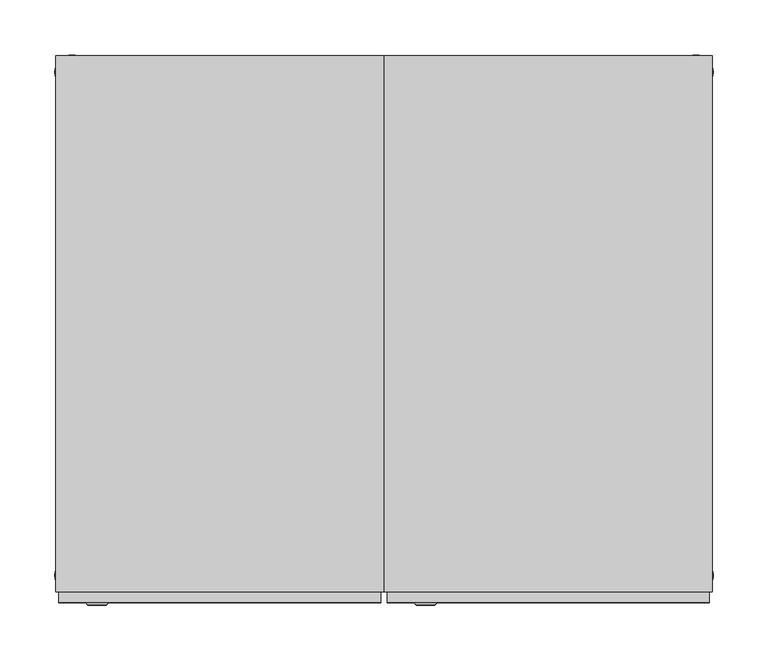
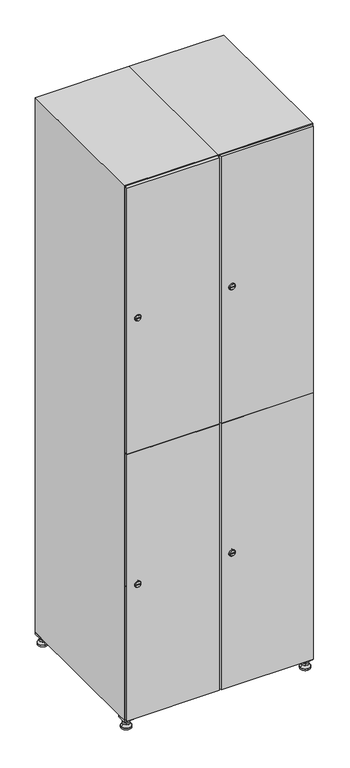
"""IFC4 building model written with IfcOpenShell, lengths in millimetres: furniture geometry."""

from ifc_helpers import new_model, si_unit, point, frame, frame_2d, origin, origin_with_axes, place, context, project, spatial, polyline, circle_curve, trimmed, segment, composite_curve, outline, extrude, faceted_brep, source, transform, mapped, element, save
from ifc_brep_helpers import plane_surface, revolved_surface, advanced_brep


def furniture_941f22c9(model_context):
    return source(origin(), model_context, "Body", "SolidModel", [
        extrude(outline(polyline([(400.0, 245.0), (400.0, 215.0), (370.0, 215.0), (370.0, 245.0), (400.0, 245.0)]), holes=[polyline([(398.0, 243.0), (372.0, 243.0), (372.0, 217.0), (398.0, 217.0), (398.0, 243.0)])]), frame((0.0, 0.0, 28.5), z_axis=(0.0, 0.0, 1.0), x_axis=(1.0, 0.0, 0.0)), (0.0, 0.0, 1.0), 6.5),
        extrude(outline(polyline([(370.0, -245.0), (370.0, -215.0), (400.0, -215.0), (400.0, -245.0), (370.0, -245.0)]), holes=[polyline([(372.0, -243.0), (398.0, -243.0), (398.0, -217.0), (372.0, -217.0), (372.0, -243.0)])]), frame((0.0, 0.0, 28.5), z_axis=(0.0, 0.0, 1.0), x_axis=(1.0, 0.0, 0.0)), (0.0, 0.0, 1.0), 6.5),
        extrude(outline(polyline([(-170.0, 245.0), (-170.0, 215.0), (-200.0, 215.0), (-200.0, 245.0), (-170.0, 245.0)]), holes=[polyline([(-172.0, 243.0), (-198.0, 243.0), (-198.0, 217.0), (-172.0, 217.0), (-172.0, 243.0)])]), frame((0.0, 0.0, 28.5), z_axis=(0.0, 0.0, 1.0), x_axis=(1.0, 0.0, 0.0)), (0.0, 0.0, 1.0), 6.5),
        extrude(outline(polyline([(-170.0, -215.0), (-170.0, -245.0), (-200.0, -245.0), (-200.0, -215.0), (-170.0, -215.0)]), holes=[polyline([(-198.0, -243.0), (-172.0, -243.0), (-172.0, -217.0), (-198.0, -217.0), (-198.0, -243.0)])]), frame((0.0, 0.0, 28.5), z_axis=(0.0, 0.0, 1.0), x_axis=(1.0, 0.0, 0.0)), (0.0, 0.0, 1.0), 6.5),
        extrude(outline(composite_curve([segment(trimmed(circle_curve(frame_2d((-185.0, 230.0)), 5.0), [point((-180.0, 230.0))], [point((-190.0, 230.0))], False, "CARTESIAN"), True, "CONTINUOUS"), segment(trimmed(circle_curve(frame_2d((-185.0, 230.0)), 5.0), [point((-190.0, 230.0))], [point((-180.0, 230.0))], False, "CARTESIAN"), True, "CONTINUOUS")], self_intersect=False)), frame((0.0, 0.0, 19.6), z_axis=(0.0, 0.0, 1.0), x_axis=(1.0, 0.0, 0.0)), (0.0, 0.0, 1.0), 15.4),
        extrude(outline(composite_curve([segment(trimmed(circle_curve(frame_2d((-185.0, -230.0)), 5.0), [point((-180.0, -230.0))], [point((-190.0, -230.0))], False, "CARTESIAN"), True, "CONTINUOUS"), segment(trimmed(circle_curve(frame_2d((-185.0, -230.0)), 5.0), [point((-190.0, -230.0))], [point((-180.0, -230.0))], False, "CARTESIAN"), True, "CONTINUOUS")], self_intersect=False)), frame((0.0, 0.0, 19.6), z_axis=(0.0, 0.0, 1.0), x_axis=(1.0, 0.0, 0.0)), (0.0, 0.0, 1.0), 15.4),
        extrude(outline(composite_curve([segment(trimmed(circle_curve(frame_2d((385.0, 230.0)), 5.0), [point((390.0, 230.0))], [point((380.0, 230.0))], False, "CARTESIAN"), True, "CONTINUOUS"), segment(trimmed(circle_curve(frame_2d((385.0, 230.0)), 5.0), [point((380.0, 230.0))], [point((390.0, 230.0))], False, "CARTESIAN"), True, "CONTINUOUS")], self_intersect=False)), frame((0.0, 0.0, 19.6), z_axis=(0.0, 0.0, 1.0), x_axis=(1.0, 0.0, 0.0)), (0.0, 0.0, 1.0), 15.4),
        extrude(outline(polyline([(373.4529946, 230.0), (379.2264973, 240.0), (390.7735027, 240.0), (396.5470054, 230.0), (390.7735027, 220.0), (379.2264973, 220.0), (373.4529946, 230.0)])), frame((0.0, 0.0, 13.6), z_axis=(0.0, 0.0, 1.0), x_axis=(1.0, 0.0, 0.0)), (0.0, 0.0, 1.0), 6.0),
        extrude(outline(composite_curve([segment(trimmed(circle_curve(frame_2d((385.0, -230.0)), 5.0), [point((390.0, -230.0))], [point((380.0, -230.0))], False, "CARTESIAN"), True, "CONTINUOUS"), segment(trimmed(circle_curve(frame_2d((385.0, -230.0)), 5.0), [point((380.0, -230.0))], [point((390.0, -230.0))], False, "CARTESIAN"), True, "CONTINUOUS")], self_intersect=False)), frame((0.0, 0.0, 19.6), z_axis=(0.0, 0.0, 1.0), x_axis=(1.0, 0.0, 0.0)), (0.0, 0.0, 1.0), 15.4),
        extrude(outline(polyline([(373.4529946, -230.0), (379.2264973, -220.0), (390.7735027, -220.0), (396.5470054, -230.0), (390.7735027, -240.0), (379.2264973, -240.0), (373.4529946, -230.0)])), frame((0.0, 0.0, 13.6), z_axis=(0.0, 0.0, 1.0), x_axis=(1.0, 0.0, 0.0)), (0.0, 0.0, 1.0), 6.0),
        extrude(outline(composite_curve([segment(trimmed(circle_curve(frame_2d((385.0, 230.0)), 5.0), [point((390.0, 230.0))], [point((380.0, 230.0))], False, "CARTESIAN"), True, "CONTINUOUS"), segment(trimmed(circle_curve(frame_2d((385.0, 230.0)), 5.0), [point((380.0, 230.0))], [point((390.0, 230.0))], False, "CARTESIAN"), True, "CONTINUOUS")], self_intersect=False)), frame((0.0, 0.0, 12.1), z_axis=(0.0, 0.0, 1.0), x_axis=(1.0, 0.0, 0.0)), (0.0, 0.0, 1.0), 1.5),
        extrude(outline(composite_curve([segment(trimmed(circle_curve(frame_2d((385.0, -230.0)), 5.0), [point((390.0, -230.0))], [point((380.0, -230.0))], False, "CARTESIAN"), True, "CONTINUOUS"), segment(trimmed(circle_curve(frame_2d((385.0, -230.0)), 5.0), [point((380.0, -230.0))], [point((390.0, -230.0))], False, "CARTESIAN"), True, "CONTINUOUS")], self_intersect=False)), frame((0.0, 0.0, 12.1), z_axis=(0.0, 0.0, 1.0), x_axis=(1.0, 0.0, 0.0)), (0.0, 0.0, 1.0), 1.5),
        extrude(outline(polyline([(-196.5470054, 230.0), (-190.7735027, 240.0), (-179.2264973, 240.0), (-173.4529946, 230.0), (-179.2264973, 220.0), (-190.7735027, 220.0), (-196.5470054, 230.0)])), frame((0.0, 0.0, 13.6), z_axis=(0.0, 0.0, 1.0), x_axis=(1.0, 0.0, 0.0)), (0.0, 0.0, 1.0), 6.0),
        extrude(outline(polyline([(-196.5470054, -230.0), (-190.7735027, -220.0), (-179.2264973, -220.0), (-173.4529946, -230.0), (-179.2264973, -240.0), (-190.7735027, -240.0), (-196.5470054, -230.0)])), frame((0.0, 0.0, 13.6), z_axis=(0.0, 0.0, 1.0), x_axis=(1.0, 0.0, 0.0)), (0.0, 0.0, 1.0), 6.0),
        extrude(outline(composite_curve([segment(trimmed(circle_curve(frame_2d((-185.0, 230.0)), 5.0), [point((-185.0, 235.0))], [point((-185.0, 225.0))], False, "CARTESIAN"), True, "CONTINUOUS"), segment(trimmed(circle_curve(frame_2d((-185.0, 230.0)), 5.0), [point((-185.0, 225.0))], [point((-185.0, 235.0))], False, "CARTESIAN"), True, "CONTINUOUS")], self_intersect=False)), frame((0.0, 0.0, 12.1), z_axis=(0.0, 0.0, 1.0), x_axis=(1.0, 0.0, 0.0)), (0.0, 0.0, 1.0), 1.5),
        extrude(outline(composite_curve([segment(trimmed(circle_curve(frame_2d((-185.0, -230.0)), 5.0), [point((-180.0, -230.0))], [point((-190.0, -230.0))], False, "CARTESIAN"), True, "CONTINUOUS"), segment(trimmed(circle_curve(frame_2d((-185.0, -230.0)), 5.0), [point((-190.0, -230.0))], [point((-180.0, -230.0))], False, "CARTESIAN"), True, "CONTINUOUS")], self_intersect=False)), frame((0.0, 0.0, 12.1), z_axis=(0.0, 0.0, 1.0), x_axis=(1.0, 0.0, 0.0)), (0.0, 0.0, 1.0), 1.5),
        extrude(outline(composite_curve([segment(trimmed(circle_curve(frame_2d((385.0, 230.0)), 15.75), [point((400.75, 230.0))], [point((369.25, 230.0))], False, "CARTESIAN"), True, "CONTINUOUS"), segment(trimmed(circle_curve(frame_2d((385.0, 230.0)), 15.75), [point((369.25, 230.0))], [point((400.75, 230.0))], False, "CARTESIAN"), True, "CONTINUOUS")], self_intersect=False)), origin_with_axes(), (0.0, 0.0, 1.0), 5.1),
        extrude(outline(composite_curve([segment(trimmed(circle_curve(frame_2d((385.0, -230.0)), 15.75), [point((385.0, -214.25))], [point((385.0, -245.75))], False, "CARTESIAN"), True, "CONTINUOUS"), segment(trimmed(circle_curve(frame_2d((385.0, -230.0)), 15.75), [point((385.0, -245.75))], [point((385.0, -214.25))], False, "CARTESIAN"), True, "CONTINUOUS")], self_intersect=False)), origin_with_axes(), (0.0, 0.0, 1.0), 5.1),
        extrude(outline(composite_curve([segment(trimmed(circle_curve(frame_2d((-185.0, -230.0)), 15.75), [point((-169.25, -230.0))], [point((-200.75, -230.0))], False, "CARTESIAN"), True, "CONTINUOUS"), segment(trimmed(circle_curve(frame_2d((-185.0, -230.0)), 15.75), [point((-200.75, -230.0))], [point((-169.25, -230.0))], False, "CARTESIAN"), True, "CONTINUOUS")], self_intersect=False)), origin_with_axes(), (0.0, 0.0, 1.0), 5.1),
        extrude(outline(composite_curve([segment(trimmed(circle_curve(frame_2d((-185.0, 230.0)), 15.75), [point((-169.25, 230.0))], [point((-200.75, 230.0))], False, "CARTESIAN"), True, "CONTINUOUS"), segment(trimmed(circle_curve(frame_2d((-185.0, 230.0)), 15.75), [point((-200.75, 230.0))], [point((-169.25, 230.0))], False, "CARTESIAN"), True, "CONTINUOUS")], self_intersect=False)), origin_with_axes(), (0.0, 0.0, 1.0), 5.1),
        advanced_brep(
        [(-185.0, 239.5, 12.1), (-185.0, 220.5, 12.1), (-185.0, 214.25, 5.1), (-185.0, 245.75, 5.1)],
        [
            (0, 1, circle_curve(frame((-185.0, 230.0, 12.1), z_axis=(0.0, 0.0, -1.0), x_axis=(0.0, 1.0, 0.0)), 9.5)),
            (1, 2),
            (2, 3, circle_curve(frame((-185.0, 230.0, 5.1), z_axis=(0.0, 0.0, 1.0), x_axis=(0.0, 1.0, 0.0)), 15.75)),
            (3, 0),
            (1, 0, circle_curve(frame((-185.0, 230.0, 12.1), z_axis=(0.0, 0.0, -1.0), x_axis=(0.0, -1.0, 0.0)), 9.5)),
            (3, 2, circle_curve(frame((-185.0, 230.0, 5.1), z_axis=(0.0, 0.0, 1.0), x_axis=(0.0, -1.0, 0.0)), 15.75)),
        ],
        [
            revolved_surface(polyline([(-185.0, 220.5, 12.099999999999998), (-185.0, 214.25, 5.099999999999998)]), (-185.0, 230.0, 22.74), (0.0, 0.0, -1.0)),
            revolved_surface(polyline([(-185.0, 239.5, 12.099999999999998), (-185.0, 245.75, 5.099999999999998)]), (-185.0, 230.0, 22.74), (0.0, 0.0, -1.0)),
            plane_surface(frame((-185.0, 230.0, 5.1), z_axis=(0.0, 0.0, -1.0), x_axis=(1.0, 0.0, 0.0))),
            plane_surface(frame((-185.0, 230.0, 12.1), z_axis=(0.0, 0.0, 1.0), x_axis=(1.0, 0.0, 0.0))),
        ],
        [
            (0, [[1, 2, 3, 4]]),
            (1, [[5, -4, 6, -2]]),
            (2, [[-3, -6]]),
            (3, [[-5, -1]]),
        ],
    ),
        advanced_brep(
        [(385.0, 239.5, 12.1), (385.0, 220.5, 12.1), (385.0, 214.25, 5.1), (385.0, 245.75, 5.1)],
        [
            (0, 1, circle_curve(frame((385.0, 230.0, 12.1), z_axis=(0.0, 0.0, -1.0), x_axis=(0.0, 1.0, 0.0)), 9.5)),
            (1, 2),
            (2, 3, circle_curve(frame((385.0, 230.0, 5.1), z_axis=(0.0, 0.0, 1.0), x_axis=(0.0, 1.0, 0.0)), 15.75)),
            (3, 0),
            (1, 0, circle_curve(frame((385.0, 230.0, 12.1), z_axis=(0.0, 0.0, -1.0), x_axis=(0.0, -1.0, 0.0)), 9.5)),
            (3, 2, circle_curve(frame((385.0, 230.0, 5.1), z_axis=(0.0, 0.0, 1.0), x_axis=(0.0, -1.0, 0.0)), 15.75)),
        ],
        [
            revolved_surface(polyline([(385.0, 220.5, 12.099999999999998), (385.0, 214.25, 5.099999999999998)]), (385.0, 230.0, 22.74), (0.0, 0.0, -1.0)),
            revolved_surface(polyline([(385.0, 239.5, 12.099999999999998), (385.0, 245.75, 5.099999999999998)]), (385.0, 230.0, 22.74), (0.0, 0.0, -1.0)),
            plane_surface(frame((385.0, 230.0, 5.1), z_axis=(0.0, 0.0, -1.0), x_axis=(1.0, 0.0, 0.0))),
            plane_surface(frame((385.0, 230.0, 12.1), z_axis=(0.0, 0.0, 1.0), x_axis=(1.0, 0.0, 0.0))),
        ],
        [
            (0, [[1, 2, 3, 4]]),
            (1, [[5, -4, 6, -2]]),
            (2, [[-3, -6]]),
            (3, [[-5, -1]]),
        ],
    ),
        advanced_brep(
        [(400.75, -230.0, 5.1), (369.25, -230.0, 5.1), (375.5, -230.0, 12.1), (394.5, -230.0, 12.1)],
        [
            (0, 1, circle_curve(frame((385.0, -230.0, 5.1), z_axis=(0.0, 0.0, 1.0), x_axis=(1.0, 0.0, 0.0)), 15.75)),
            (1, 2),
            (2, 3, circle_curve(frame((385.0, -230.0, 12.1), z_axis=(0.0, 0.0, -1.0), x_axis=(1.0, 0.0, 0.0)), 9.5)),
            (3, 0),
            (1, 0, circle_curve(frame((385.0, -230.0, 5.1), z_axis=(0.0, 0.0, 1.0), x_axis=(-1.0, 0.0, 0.0)), 15.75)),
            (3, 2, circle_curve(frame((385.0, -230.0, 12.1), z_axis=(0.0, 0.0, -1.0), x_axis=(-1.0, 0.0, 0.0)), 9.5)),
        ],
        [
            revolved_surface(polyline([(394.5, -230.0, 12.099999999999998), (400.75, -230.0, 5.099999999999998)]), (385.0, -230.0, 22.74), (0.0, 0.0, -1.0)),
            revolved_surface(polyline([(375.5, -230.0, 12.099999999999998), (369.25, -230.0, 5.099999999999998)]), (385.0, -230.0, 22.74), (0.0, 0.0, -1.0)),
            plane_surface(frame((385.0, -230.0, 12.1), z_axis=(0.0, 0.0, 1.0), x_axis=(0.0, 1.0, 0.0))),
            plane_surface(frame((385.0, -230.0, 5.1), z_axis=(0.0, 0.0, -1.0), x_axis=(0.0, 1.0, 0.0))),
        ],
        [
            (0, [[1, 2, 3, 4]]),
            (1, [[5, -4, 6, -2]]),
            (2, [[-3, -6]]),
            (3, [[-5, -1]]),
        ],
    ),
        advanced_brep(
        [(-169.25, -230.0, 5.1), (-200.75, -230.0, 5.1), (-194.5, -230.0, 12.1), (-175.5, -230.0, 12.1)],
        [
            (0, 1, circle_curve(frame((-185.0, -230.0, 5.1), z_axis=(0.0, 0.0, 1.0), x_axis=(1.0, 0.0, 0.0)), 15.75)),
            (1, 2),
            (2, 3, circle_curve(frame((-185.0, -230.0, 12.1), z_axis=(0.0, 0.0, -1.0), x_axis=(1.0, 0.0, 0.0)), 9.5)),
            (3, 0),
            (1, 0, circle_curve(frame((-185.0, -230.0, 5.1), z_axis=(0.0, 0.0, 1.0), x_axis=(-1.0, 0.0, 0.0)), 15.75)),
            (3, 2, circle_curve(frame((-185.0, -230.0, 12.1), z_axis=(0.0, 0.0, -1.0), x_axis=(-1.0, 0.0, 0.0)), 9.5)),
        ],
        [
            revolved_surface(polyline([(-175.5, -230.0, 12.099999999999998), (-169.25, -230.0, 5.099999999999998)]), (-185.0, -230.0, 22.74), (0.0, 0.0, -1.0)),
            revolved_surface(polyline([(-194.5, -230.0, 12.099999999999998), (-200.75, -230.0, 5.099999999999998)]), (-185.0, -230.0, 22.74), (0.0, 0.0, -1.0)),
            plane_surface(frame((-185.0, -230.0, 12.1), z_axis=(0.0, 0.0, 1.0), x_axis=(0.0, 1.0, 0.0))),
            plane_surface(frame((-185.0, -230.0, 5.1), z_axis=(0.0, 0.0, -1.0), x_axis=(0.0, 1.0, 0.0))),
        ],
        [
            (0, [[1, 2, 3, 4]]),
            (1, [[5, -4, 6, -2]]),
            (2, [[-3, -6]]),
            (3, [[-5, -1]]),
        ],
    ),
        extrude(outline(composite_curve([segment(trimmed(circle_curve(frame_2d((486.5, 111.2010534)), 7.0), [point((493.5, 111.2010534))], [point((479.5, 111.2010534))], False, "CARTESIAN"), True, "CONTINUOUS"), segment(polyline([(479.5, 111.2010534), (479.5, 139.2010534)]), True, "CONTINUOUS"), segment(trimmed(circle_curve(frame_2d((486.5, 139.2010534)), 7.0), [point((479.5, 139.2010534))], [point((493.5, 139.2010534))], False, "CARTESIAN"), True, "CONTINUOUS"), segment(polyline([(493.5, 139.2010534), (493.5, 111.2010534)]), True, "CONTINUOUS")], self_intersect=False)), frame((0.0, -245.0, 0.0), z_axis=(0.0, 1.0, 0.0), x_axis=(0.0, 0.0, 1.0)), (0.0, 0.0, 1.0), 2.0),
        advanced_brep(
        [(146.5, -257.2, 486.5), (129.5, -257.2, 486.5), (133.0, -257.2, 485.25), (133.0, -257.2, 487.75), (143.0, -257.2, 487.75), (143.0, -257.2, 485.25), (148.5, -255.0, 486.5), (127.5, -255.0, 486.5), (133.0, -255.0, 487.75), (133.0, -255.0, 485.25), (143.0, -255.0, 485.25), (143.0, -255.0, 487.75)],
        [
            (0, 1, circle_curve(frame((138.0, -257.2, 486.5), z_axis=(0.0, -1.0, 0.0), x_axis=(1.0, 0.0, 0.0)), 8.5)),
            (1, 0, circle_curve(frame((138.0, -257.2, 486.5), z_axis=(0.0, -1.0, 0.0), x_axis=(-1.0, 0.0, 0.0)), 8.5)),
            (2, 3),
            (3, 4),
            (4, 5),
            (5, 2),
            (6, 7, circle_curve(frame((138.0, -255.0, 486.5), z_axis=(0.0, 1.0, 0.0), x_axis=(-1.0, 0.0, 0.0)), 10.5)),
            (7, 6, circle_curve(frame((138.0, -255.0, 486.5), z_axis=(0.0, 1.0, 0.0), x_axis=(1.0, 0.0, 0.0)), 10.5)),
            (8, 9),
            (9, 10),
            (10, 11),
            (11, 8),
            (0, 6),
            (7, 1),
            (8, 3),
            (2, 9),
            (11, 4),
            (10, 5),
        ],
        [
            plane_surface(frame((138.0, -257.2, 486.5), z_axis=(0.0, -1.0, 0.0), x_axis=(0.0, 0.0, 1.0))),
            plane_surface(frame((138.0, -255.0, 486.5), z_axis=(0.0, 1.0, 0.0), x_axis=(0.0, 0.0, 1.0))),
            revolved_surface(polyline([(146.5, -257.2, 486.5), (148.5, -255.0, 486.5)]), (138.0, -266.55, 486.5), (0.0, 1.0, 0.0)),
            revolved_surface(polyline([(129.5, -257.2, 486.5), (127.5, -255.0, 486.5)]), (138.0, -266.55, 486.5), (0.0, 1.0, 0.0)),
            plane_surface(frame((133.0, -255.0, 485.25), z_axis=(1.0, 0.0, 0.0), x_axis=(0.0, -1.0, 0.0))),
            plane_surface(frame((133.0, -255.0, 487.75), z_axis=(0.0, 0.0, -1.0), x_axis=(0.0, -1.0, 0.0))),
            plane_surface(frame((143.0, -255.0, 487.75), z_axis=(-1.0, 0.0, 0.0), x_axis=(0.0, -1.0, 0.0))),
            plane_surface(frame((143.0, -255.0, 485.25), z_axis=(0.0, 0.0, 1.0), x_axis=(0.0, -1.0, 0.0))),
        ],
        [
            (0, [[1, 2], [3, 4, 5, 6]]),
            (1, [[7, 8], [9, 10, 11, 12]]),
            (2, [[-1, 13, -8, 14]]),
            (3, [[-2, -14, -7, -13]]),
            (4, [[15, -3, 16, -9]]),
            (5, [[-15, -12, 17, -4]]),
            (6, [[-17, -11, 18, -5]]),
            (7, [[-16, -6, -18, -10]]),
        ],
    ),
        extrude(outline(composite_curve([segment(trimmed(circle_curve(frame_2d((1383.5, 111.2010534)), 7.0), [point((1390.5, 111.2010534))], [point((1376.5, 111.2010534))], False, "CARTESIAN"), True, "CONTINUOUS"), segment(polyline([(1376.5, 111.2010534), (1376.5, 139.2010534)]), True, "CONTINUOUS"), segment(trimmed(circle_curve(frame_2d((1383.5, 139.2010534)), 7.0), [point((1376.5, 139.2010534))], [point((1390.5, 139.2010534))], False, "CARTESIAN"), True, "CONTINUOUS"), segment(polyline([(1390.5, 139.2010534), (1390.5, 111.2010534)]), True, "CONTINUOUS")], self_intersect=False)), frame((0.0, -245.0, 0.0), z_axis=(0.0, 1.0, 0.0), x_axis=(0.0, 0.0, 1.0)), (0.0, 0.0, 1.0), 2.0),
        advanced_brep(
        [(146.5, -257.2, 1383.5), (129.5, -257.2, 1383.5), (133.0, -257.2, 1382.25), (133.0, -257.2, 1384.75), (143.0, -257.2, 1384.75), (143.0, -257.2, 1382.25), (148.5, -255.0, 1383.5), (127.5, -255.0, 1383.5), (133.0, -255.0, 1384.75), (133.0, -255.0, 1382.25), (143.0, -255.0, 1382.25), (143.0, -255.0, 1384.75)],
        [
            (0, 1, circle_curve(frame((138.0, -257.2, 1383.5), z_axis=(0.0, -1.0, 0.0), x_axis=(1.0, 0.0, 0.0)), 8.5)),
            (1, 0, circle_curve(frame((138.0, -257.2, 1383.5), z_axis=(0.0, -1.0, 0.0), x_axis=(-1.0, 0.0, 0.0)), 8.5)),
            (2, 3),
            (3, 4),
            (4, 5),
            (5, 2),
            (6, 7, circle_curve(frame((138.0, -255.0, 1383.5), z_axis=(0.0, 1.0, 0.0), x_axis=(-1.0, 0.0, 0.0)), 10.5)),
            (7, 6, circle_curve(frame((138.0, -255.0, 1383.5), z_axis=(0.0, 1.0, 0.0), x_axis=(1.0, 0.0, 0.0)), 10.5)),
            (8, 9),
            (9, 10),
            (10, 11),
            (11, 8),
            (0, 6),
            (7, 1),
            (8, 3),
            (2, 9),
            (11, 4),
            (10, 5),
        ],
        [
            plane_surface(frame((138.0, -257.2, 1383.5), z_axis=(0.0, -1.0, 0.0), x_axis=(0.0, 0.0, 1.0))),
            plane_surface(frame((138.0, -255.0, 1383.5), z_axis=(0.0, 1.0, 0.0), x_axis=(0.0, 0.0, 1.0))),
            revolved_surface(polyline([(146.5, -257.2, 1383.5), (148.5, -255.0, 1383.5)]), (138.0, -266.55, 1383.5), (0.0, 1.0, 0.0)),
            revolved_surface(polyline([(129.5, -257.2, 1383.5), (127.5, -255.0, 1383.5)]), (138.0, -266.55, 1383.5), (0.0, 1.0, 0.0)),
            plane_surface(frame((133.0, -255.0, 1382.25), z_axis=(1.0, 0.0, 0.0), x_axis=(0.0, -1.0, 0.0))),
            plane_surface(frame((133.0, -255.0, 1384.75), z_axis=(0.0, 0.0, -1.0), x_axis=(0.0, -1.0, 0.0))),
            plane_surface(frame((143.0, -255.0, 1384.75), z_axis=(-1.0, 0.0, 0.0), x_axis=(0.0, -1.0, 0.0))),
            plane_surface(frame((143.0, -255.0, 1382.25), z_axis=(0.0, 0.0, 1.0), x_axis=(0.0, -1.0, 0.0))),
        ],
        [
            (0, [[1, 2], [3, 4, 5, 6]]),
            (1, [[7, 8], [9, 10, 11, 12]]),
            (2, [[-1, 13, -8, 14]]),
            (3, [[-2, -14, -7, -13]]),
            (4, [[15, -3, 16, -9]]),
            (5, [[-15, -12, 17, -4]]),
            (6, [[-17, -11, 18, -5]]),
            (7, [[-16, -6, -18, -10]]),
        ],
    ),
        extrude(outline(polyline([(103.0, -255.0), (103.0, -245.0), (397.0, -245.0), (397.0, -255.0), (103.0, -255.0)])), frame((0.0, 0.0, 38.0), z_axis=(0.0, 0.0, 1.0), x_axis=(1.0, 0.0, 0.0)), (0.0, 0.0, 1.0), 896.5),
        extrude(outline(polyline([(397.0, -245.0), (397.0, -255.0), (103.0, -255.0), (103.0, -245.0), (397.0, -245.0)])), frame((0.0, 0.0, 935.5), z_axis=(0.0, 0.0, 1.0), x_axis=(1.0, 0.0, 0.0)), (0.0, 0.0, 1.0), 896.5),
        extrude(outline(polyline([(379.6, 242.0), (379.6, -235.0), (120.4, -235.0), (120.4, 242.0), (379.6, 242.0)])), frame((0.0, 0.0, 924.8), z_axis=(0.0, 0.0, 1.0), x_axis=(1.0, 0.0, 0.0)), (0.0, 0.0, 1.0), 20.4),
        faceted_brep([(400.0, -245.0, 35.0), (400.0, -245.0, 1835.0), (100.0, -245.0, 1835.0), (100.0, -245.0, 35.0), (379.6, -245.0, 1804.8), (379.6, -245.0, 65.2), (120.4, -245.0, 65.2), (120.4, -245.0, 1804.8), (400.0, 245.0, 35.0), (100.0, 245.0, 35.0), (400.0, 245.0, 1835.0), (100.0, 245.0, 1835.0), (379.6, 242.0, 1804.8), (379.6, 242.0, 65.2), (100.0, 245.0, 1804.8), (120.4, 242.0, 1804.8), (120.4, 242.0, 65.2)], [[[0, 1, 2, 3], [4, 5, 6, 7]], [[8, 0, 3, 9]], [[1, 0, 8, 10]], [[1, 10, 11, 2]], [[4, 12, 13, 5]], [[9, 3, 2, 11, 14]], [[10, 8, 9, 14, 11]], [[12, 15, 16, 13]], [[15, 7, 6, 16]], [[4, 7, 15, 12]], [[6, 5, 13, 16]]]),
        extrude(outline(composite_curve([segment(trimmed(circle_curve(frame_2d((486.5, -188.7989466)), 7.0), [point((493.5, -188.7989466))], [point((479.5, -188.7989466))], False, "CARTESIAN"), True, "CONTINUOUS"), segment(polyline([(479.5, -188.7989466), (479.5, -160.7989466)]), True, "CONTINUOUS"), segment(trimmed(circle_curve(frame_2d((486.5, -160.7989466)), 7.0), [point((479.5, -160.7989466))], [point((493.5, -160.7989466))], False, "CARTESIAN"), True, "CONTINUOUS"), segment(polyline([(493.5, -160.7989466), (493.5, -188.7989466)]), True, "CONTINUOUS")], self_intersect=False)), frame((0.0, -245.0, 0.0), z_axis=(0.0, 1.0, 0.0), x_axis=(0.0, 0.0, 1.0)), (0.0, 0.0, 1.0), 2.0),
        advanced_brep(
        [(-153.5, -257.2, 486.5), (-170.5, -257.2, 486.5), (-167.0, -257.2, 485.25), (-167.0, -257.2, 487.75), (-157.0, -257.2, 487.75), (-157.0, -257.2, 485.25), (-151.5, -255.0, 486.5), (-172.5, -255.0, 486.5), (-167.0, -255.0, 487.75), (-167.0, -255.0, 485.25), (-157.0, -255.0, 485.25), (-157.0, -255.0, 487.75)],
        [
            (0, 1, circle_curve(frame((-162.0, -257.2, 486.5), z_axis=(0.0, -1.0, 0.0), x_axis=(1.0, 0.0, 0.0)), 8.5)),
            (1, 0, circle_curve(frame((-162.0, -257.2, 486.5), z_axis=(0.0, -1.0, 0.0), x_axis=(-1.0, 0.0, 0.0)), 8.5)),
            (2, 3),
            (3, 4),
            (4, 5),
            (5, 2),
            (6, 7, circle_curve(frame((-162.0, -255.0, 486.5), z_axis=(0.0, 1.0, 0.0), x_axis=(-1.0, 0.0, 0.0)), 10.5)),
            (7, 6, circle_curve(frame((-162.0, -255.0, 486.5), z_axis=(0.0, 1.0, 0.0), x_axis=(1.0, 0.0, 0.0)), 10.5)),
            (8, 9),
            (9, 10),
            (10, 11),
            (11, 8),
            (0, 6),
            (7, 1),
            (8, 3),
            (2, 9),
            (11, 4),
            (10, 5),
        ],
        [
            plane_surface(frame((-162.0, -257.2, 486.5), z_axis=(0.0, -1.0, 0.0), x_axis=(0.0, 0.0, 1.0))),
            plane_surface(frame((-162.0, -255.0, 486.5), z_axis=(0.0, 1.0, 0.0), x_axis=(0.0, 0.0, 1.0))),
            revolved_surface(polyline([(-153.5, -257.2, 486.5), (-151.5, -255.0, 486.5)]), (-162.0, -266.55, 486.5), (0.0, 1.0, 0.0)),
            revolved_surface(polyline([(-170.5, -257.2, 486.5), (-172.5, -255.0, 486.5)]), (-162.0, -266.55, 486.5), (0.0, 1.0, 0.0)),
            plane_surface(frame((-167.0, -255.0, 485.25), z_axis=(1.0, 0.0, 0.0), x_axis=(0.0, -1.0, 0.0))),
            plane_surface(frame((-167.0, -255.0, 487.75), z_axis=(0.0, 0.0, -1.0), x_axis=(0.0, -1.0, 0.0))),
            plane_surface(frame((-157.0, -255.0, 487.75), z_axis=(-1.0, 0.0, 0.0), x_axis=(0.0, -1.0, 0.0))),
            plane_surface(frame((-157.0, -255.0, 485.25), z_axis=(0.0, 0.0, 1.0), x_axis=(0.0, -1.0, 0.0))),
        ],
        [
            (0, [[1, 2], [3, 4, 5, 6]]),
            (1, [[7, 8], [9, 10, 11, 12]]),
            (2, [[-1, 13, -8, 14]]),
            (3, [[-2, -14, -7, -13]]),
            (4, [[15, -3, 16, -9]]),
            (5, [[-15, -12, 17, -4]]),
            (6, [[-17, -11, 18, -5]]),
            (7, [[-16, -6, -18, -10]]),
        ],
    ),
        extrude(outline(composite_curve([segment(trimmed(circle_curve(frame_2d((1383.5, -188.7989466)), 7.0), [point((1390.5, -188.7989466))], [point((1376.5, -188.7989466))], False, "CARTESIAN"), True, "CONTINUOUS"), segment(polyline([(1376.5, -188.7989466), (1376.5, -160.7989466)]), True, "CONTINUOUS"), segment(trimmed(circle_curve(frame_2d((1383.5, -160.7989466)), 7.0), [point((1376.5, -160.7989466))], [point((1390.5, -160.7989466))], False, "CARTESIAN"), True, "CONTINUOUS"), segment(polyline([(1390.5, -160.7989466), (1390.5, -188.7989466)]), True, "CONTINUOUS")], self_intersect=False)), frame((0.0, -245.0, 0.0), z_axis=(0.0, 1.0, 0.0), x_axis=(0.0, 0.0, 1.0)), (0.0, 0.0, 1.0), 2.0),
        advanced_brep(
        [(-153.5, -257.2, 1383.5), (-170.5, -257.2, 1383.5), (-167.0, -257.2, 1382.25), (-167.0, -257.2, 1384.75), (-157.0, -257.2, 1384.75), (-157.0, -257.2, 1382.25), (-151.5, -255.0, 1383.5), (-172.5, -255.0, 1383.5), (-167.0, -255.0, 1384.75), (-167.0, -255.0, 1382.25), (-157.0, -255.0, 1382.25), (-157.0, -255.0, 1384.75)],
        [
            (0, 1, circle_curve(frame((-162.0, -257.2, 1383.5), z_axis=(0.0, -1.0, 0.0), x_axis=(1.0, 0.0, 0.0)), 8.5)),
            (1, 0, circle_curve(frame((-162.0, -257.2, 1383.5), z_axis=(0.0, -1.0, 0.0), x_axis=(-1.0, 0.0, 0.0)), 8.5)),
            (2, 3),
            (3, 4),
            (4, 5),
            (5, 2),
            (6, 7, circle_curve(frame((-162.0, -255.0, 1383.5), z_axis=(0.0, 1.0, 0.0), x_axis=(-1.0, 0.0, 0.0)), 10.5)),
            (7, 6, circle_curve(frame((-162.0, -255.0, 1383.5), z_axis=(0.0, 1.0, 0.0), x_axis=(1.0, 0.0, 0.0)), 10.5)),
            (8, 9),
            (9, 10),
            (10, 11),
            (11, 8),
            (0, 6),
            (7, 1),
            (8, 3),
            (2, 9),
            (11, 4),
            (10, 5),
        ],
        [
            plane_surface(frame((-162.0, -257.2, 1383.5), z_axis=(0.0, -1.0, 0.0), x_axis=(0.0, 0.0, 1.0))),
            plane_surface(frame((-162.0, -255.0, 1383.5), z_axis=(0.0, 1.0, 0.0), x_axis=(0.0, 0.0, 1.0))),
            revolved_surface(polyline([(-153.5, -257.2, 1383.5), (-151.5, -255.0, 1383.5)]), (-162.0, -266.55, 1383.5), (0.0, 1.0, 0.0)),
            revolved_surface(polyline([(-170.5, -257.2, 1383.5), (-172.5, -255.0, 1383.5)]), (-162.0, -266.55, 1383.5), (0.0, 1.0, 0.0)),
            plane_surface(frame((-167.0, -255.0, 1382.25), z_axis=(1.0, 0.0, 0.0), x_axis=(0.0, -1.0, 0.0))),
            plane_surface(frame((-167.0, -255.0, 1384.75), z_axis=(0.0, 0.0, -1.0), x_axis=(0.0, -1.0, 0.0))),
            plane_surface(frame((-157.0, -255.0, 1384.75), z_axis=(-1.0, 0.0, 0.0), x_axis=(0.0, -1.0, 0.0))),
            plane_surface(frame((-157.0, -255.0, 1382.25), z_axis=(0.0, 0.0, 1.0), x_axis=(0.0, -1.0, 0.0))),
        ],
        [
            (0, [[1, 2], [3, 4, 5, 6]]),
            (1, [[7, 8], [9, 10, 11, 12]]),
            (2, [[-1, 13, -8, 14]]),
            (3, [[-2, -14, -7, -13]]),
            (4, [[15, -3, 16, -9]]),
            (5, [[-15, -12, 17, -4]]),
            (6, [[-17, -11, 18, -5]]),
            (7, [[-16, -6, -18, -10]]),
        ],
    ),
        extrude(outline(polyline([(-197.0, -255.0), (-197.0, -245.0), (97.0, -245.0), (97.0, -255.0), (-197.0, -255.0)])), frame((0.0, 0.0, 38.0), z_axis=(0.0, 0.0, 1.0), x_axis=(1.0, 0.0, 0.0)), (0.0, 0.0, 1.0), 896.5),
        extrude(outline(polyline([(97.0, -245.0), (97.0, -255.0), (-197.0, -255.0), (-197.0, -245.0), (97.0, -245.0)])), frame((0.0, 0.0, 935.5), z_axis=(0.0, 0.0, 1.0), x_axis=(1.0, 0.0, 0.0)), (0.0, 0.0, 1.0), 896.5),
        extrude(outline(polyline([(79.6, 242.0), (79.6, -235.0), (-179.6, -235.0), (-179.6, 242.0), (79.6, 242.0)])), frame((0.0, 0.0, 924.8), z_axis=(0.0, 0.0, 1.0), x_axis=(1.0, 0.0, 0.0)), (0.0, 0.0, 1.0), 20.4),
        faceted_brep([(100.0, -245.0, 35.0), (100.0, -245.0, 1835.0), (-200.0, -245.0, 1835.0), (-200.0, -245.0, 35.0), (79.6, -245.0, 1804.8), (79.6, -245.0, 65.2), (-179.6, -245.0, 65.2), (-179.6, -245.0, 1804.8), (100.0, 245.0, 35.0), (-200.0, 245.0, 35.0), (100.0, 245.0, 1835.0), (-200.0, 245.0, 1835.0), (79.6, 242.0, 1804.8), (79.6, 242.0, 65.2), (-200.0, 245.0, 1804.8), (-179.6, 242.0, 1804.8), (-179.6, 242.0, 65.2)], [[[0, 1, 2, 3], [4, 5, 6, 7]], [[8, 0, 3, 9]], [[1, 0, 8, 10]], [[1, 10, 11, 2]], [[4, 12, 13, 5]], [[9, 3, 2, 11, 14]], [[10, 8, 9, 14, 11]], [[12, 15, 16, 13]], [[15, 7, 6, 16]], [[4, 7, 15, 12]], [[6, 5, 13, 16]]]),
    ])


if __name__ == "__main__":
    model = new_model("IFC4")
    model_context = context("Model", 3, world=origin())
    ifc_project = project(units=[si_unit("LENGTHUNIT", "METRE", prefix="MILLI")], contexts=[model_context])
    site = spatial("IfcSite", under=ifc_project)
    building = spatial("IfcBuilding", under=site)
    placement = place(None, origin())
    furniture_shape = furniture_941f22c9(model_context)
    element("IfcFurniture", 1, at=placement, inside=building, context=model_context, shape_type="MappedRepresentation", body=[
        mapped(furniture_shape, transform((0.0, 0.0, 0.0), x_axis=(1.0, 0.0, 0.0), y_axis=(0.0, 1.0, 0.0), z_axis=(0.0, 0.0, 1.0))),
    ])
    save(model, "model.ifc")
